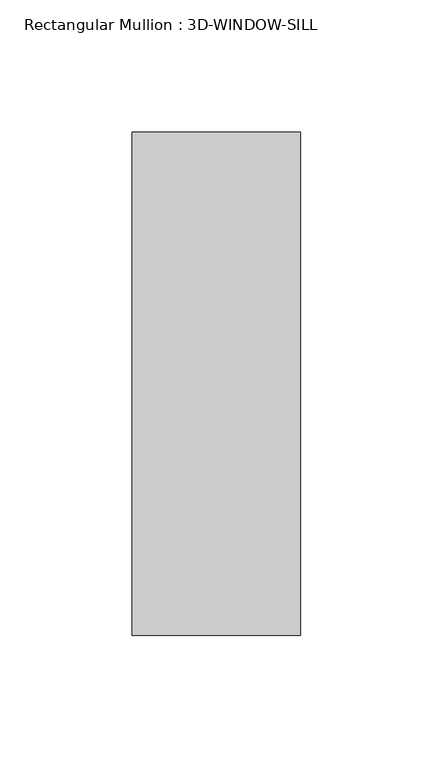
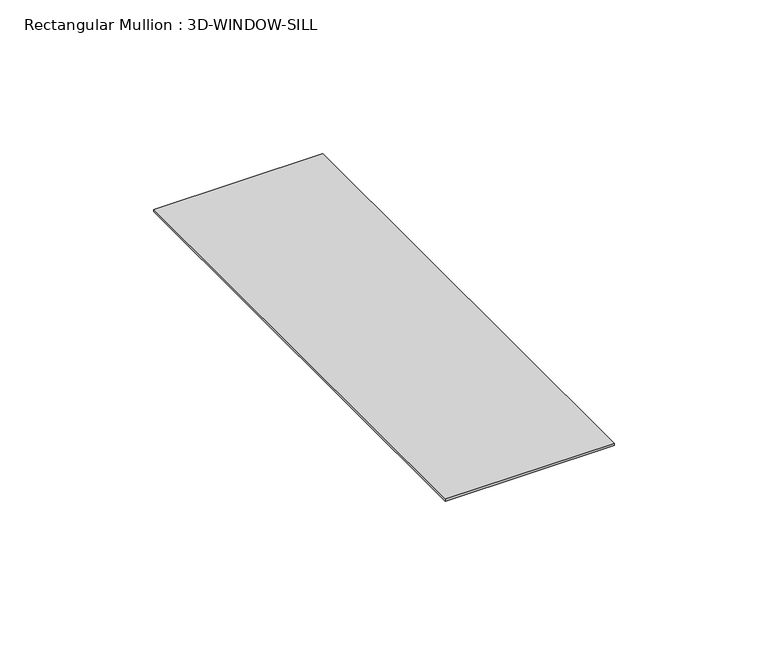
"""IFC4 building model written with IfcOpenShell, lengths in millimetres: member geometry, Rectangular Mullion : 3D-WINDOW-SILL."""

from ifc_helpers import new_model, si_unit, frame, origin, place, context, project, spatial, polyline, outline, extrude, source, transform, mapped, element, save


def rectangular_mullion_3d_window_sill_dd2c0558(model_context):
    return source(origin(), model_context, "Body", "SweptSolid", [
        extrude(outline(polyline([(31.75, 96.980375), (31.75, -93.011625), (-31.75, -93.011625), (-31.75, 96.980375), (31.75, 96.980375)])), frame((0.0, 0.0, -0.8541753), z_axis=(0.0, 0.0, 1.0), x_axis=(1.0, 0.0, 0.0)), (0.0, 0.0, 1.0), 0.8541753),
    ])


if __name__ == "__main__":
    model = new_model("IFC4")
    model_context = context("Model", 3, world=origin())
    ifc_project = project(units=[si_unit("LENGTHUNIT", "METRE", prefix="MILLI")], contexts=[model_context])
    site = spatial("IfcSite", under=ifc_project)
    building = spatial("IfcBuilding", under=site)
    placement = place(None, origin())
    rectangular_mullion_3d_window_sill_shape = rectangular_mullion_3d_window_sill_dd2c0558(model_context)
    element("IfcMember", 1, ObjectType="Rectangular Mullion : 3D-WINDOW-SILL", at=placement, inside=building, context=model_context, shape_type="MappedRepresentation", body=[
        mapped(rectangular_mullion_3d_window_sill_shape, transform((0.0, 0.0, 0.0), x_axis=(1.0, 0.0, 0.0), y_axis=(0.0, 1.0, 0.0), z_axis=(0.0, 0.0, 1.0))),
    ])
    save(model, "model.ifc")
